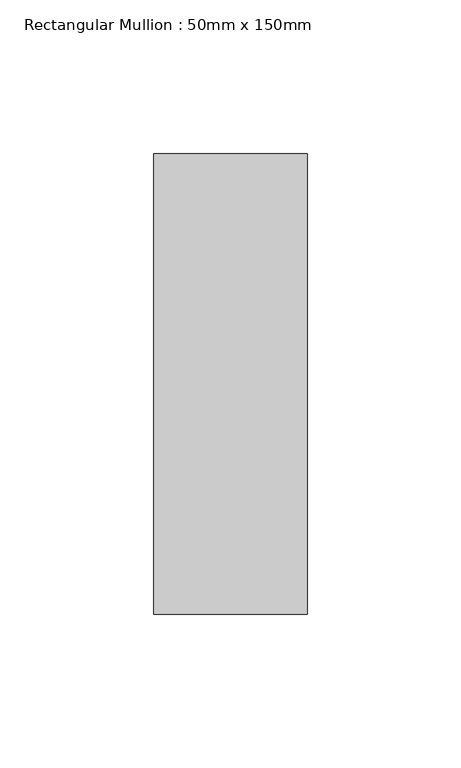
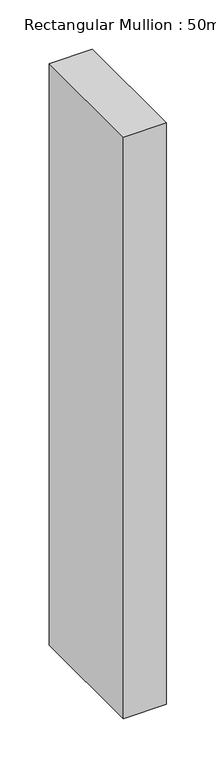
"""IFC4 building model written with IfcOpenShell, lengths in millimetres: member geometry, Rectangular Mullion : 50mm x 150mm."""

from ifc_helpers import new_model, si_unit, frame, origin, place, context, project, spatial, polyline, outline, extrude, source, transform, mapped, element, save


def rectangular_mullion_50mm_x_150mm_2841947e(model_context):
    return source(origin(), model_context, "Body", "SweptSolid", [
        extrude(outline(polyline([(0.0, 75.0), (0.0, -75.0), (-50.0, -75.0), (-50.0, 75.0), (0.0, 75.0)])), frame((0.0, 0.0, -718.7418053), z_axis=(0.0, 0.0, 1.0), x_axis=(1.0, 0.0, 0.0)), (0.0, 0.0, 1.0), 718.7418053),
    ])


if __name__ == "__main__":
    model = new_model("IFC4")
    model_context = context("Model", 3, world=origin())
    ifc_project = project(units=[si_unit("LENGTHUNIT", "METRE", prefix="MILLI")], contexts=[model_context])
    site = spatial("IfcSite", under=ifc_project)
    building = spatial("IfcBuilding", under=site)
    placement = place(None, origin())
    rectangular_mullion_50mm_x_150mm_shape = rectangular_mullion_50mm_x_150mm_2841947e(model_context)
    element("IfcMember", 1, ObjectType="Rectangular Mullion : 50mm x 150mm", at=placement, inside=building, context=model_context, shape_type="MappedRepresentation", body=[
        mapped(rectangular_mullion_50mm_x_150mm_shape, transform((0.0, 0.0, 0.0), x_axis=(1.0, 0.0, 0.0), y_axis=(0.0, 1.0, 0.0), z_axis=(0.0, 0.0, 1.0))),
    ])
    save(model, "model.ifc")
